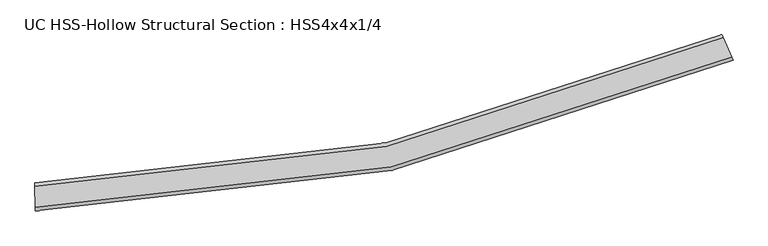
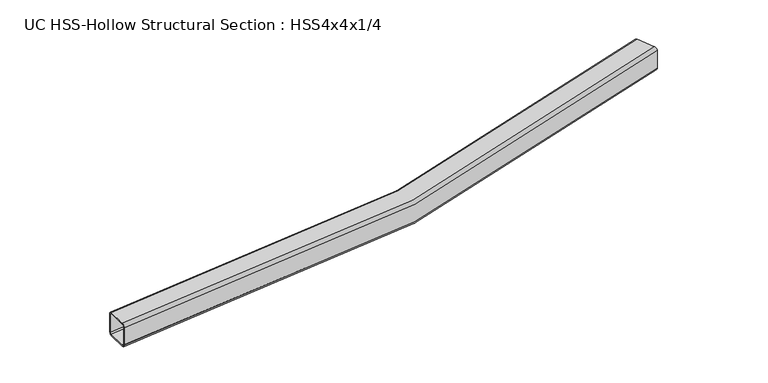
"""IFC4 building model written with IfcOpenShell, lengths in millimetres: beam geometry, UC HSS-Hollow Structural Section : HSS4x4x1/4."""

from ifc_helpers import new_model, si_unit, point, frame, origin, place, context, project, spatial, polyline, circle_curve, ellipse_curve, trimmed, source, transform, mapped, element, save
from ifc_brep_helpers import plane_surface, cylinder_surface, revolved_surface, advanced_brep


def uc_hss_hollow_structural_section_hss4x4x1_4_7f47930b(model_context):
    return source(origin(), model_context, "Body", "AdvancedBrep", [
        advanced_brep(
        [(2635.9752121, 499.7964214, 38.9636), (2635.9752121, 499.7964214, -38.9636), (2631.2372108, 510.6431586, -50.8), (2600.0436738, 582.0547246, -50.8), (2595.3056725, 592.9014618, -38.9636), (2595.3056725, 592.9014618, 38.9636), (2600.0436738, 582.0547246, 50.8), (2631.2372108, 510.6431586, 50.8), (2600.0436738, 582.0547246, 44.8818), (2597.6746731, 587.4780932, 38.9636), (2597.6746731, 587.4780932, -38.9636), (2600.0436738, 582.0547246, -44.8818), (2631.2372108, 510.6431586, -44.8818), (2633.6062114, 505.21979, -38.9636), (2633.6062114, 505.21979, 38.9636), (2631.2372108, 510.6431586, 44.8818), (91.019854, -50.1709325, 38.9636), (90.8562515, -38.3356632, 50.8), (89.779143, 39.5840925, 50.8), (89.6155405, 51.4193618, 38.9636), (89.6155405, 51.4193618, -38.9636), (89.779143, 39.5840925, -50.8), (90.8562515, -38.3356632, -50.8), (91.019854, -50.1709325, -38.9636), (89.779143, 39.5840925, 44.8818), (90.8562515, -38.3356632, 44.8818), (90.9380527, -44.2532979, 38.9636), (90.9380527, -44.2532979, -38.9636), (90.8562515, -38.3356632, -44.8818), (89.779143, 39.5840925, -44.8818), (89.6973417, 45.5017272, -38.9636), (89.6973417, 45.5017272, 38.9636)],
        [
            (0, 1),
            (1, 2, circle_curve(frame((2631.2372108, 510.6431586, -38.9636), z_axis=(0.9163881926516371, 0.4002907447951626, 0.0), x_axis=(-0.4002907447951626, 0.9163881926516371, 0.0)), 11.8364)),
            (2, 3),
            (3, 4, circle_curve(frame((2600.0436738, 582.0547246, -38.9636), z_axis=(0.9163881926516371, 0.4002907447951626, 0.0), x_axis=(-0.4002907447951626, 0.9163881926516371, 0.0)), 11.8364)),
            (4, 5),
            (5, 6, circle_curve(frame((2600.0436738, 582.0547246, 38.9636), z_axis=(0.9163881926516371, 0.4002907447951626, 0.0), x_axis=(-0.4002907447951626, 0.9163881926516371, 0.0)), 11.8364)),
            (6, 7),
            (7, 0, circle_curve(frame((2631.2372108, 510.6431586, 38.9636), z_axis=(0.9163881926516371, 0.4002907447951626, 0.0), x_axis=(-0.4002907447951626, 0.9163881926516371, 0.0)), 11.8364)),
            (8, 9, circle_curve(frame((2600.0436738, 582.0547246, 38.9636), z_axis=(-0.9163881926516371, -0.4002907447951626, 0.0), x_axis=(-0.4002907447951626, 0.9163881926516371, 0.0)), 5.9182)),
            (9, 10),
            (10, 11, circle_curve(frame((2600.0436738, 582.0547246, -38.9636), z_axis=(-0.9163881926516371, -0.4002907447951626, 0.0), x_axis=(-0.4002907447951626, 0.9163881926516371, 0.0)), 5.9182)),
            (11, 12),
            (12, 13, circle_curve(frame((2631.2372108, 510.6431586, -38.9636), z_axis=(-0.9163881926516371, -0.4002907447951626, 0.0), x_axis=(-0.4002907447951626, 0.9163881926516371, 0.0)), 5.9182)),
            (13, 14),
            (14, 15, circle_curve(frame((2631.2372108, 510.6431586, 38.9636), z_axis=(-0.9163881926516371, -0.4002907447951626, 0.0), x_axis=(-0.4002907447951626, 0.9163881926516371, 0.0)), 5.9182)),
            (15, 8),
            (16, 17, circle_curve(frame((90.8562515, -38.3356632, 38.9636), z_axis=(-0.9999044718271743, -0.013821983215865412, 0.0), x_axis=(-0.013821983215865412, 0.9999044718271743, 0.0)), 11.8364)),
            (17, 18),
            (18, 19, circle_curve(frame((89.779143, 39.5840925, 38.9636), z_axis=(-0.9999044718271743, -0.013821983215865412, 0.0), x_axis=(-0.013821983215865412, 0.9999044718271743, 0.0)), 11.8364)),
            (19, 20),
            (20, 21, circle_curve(frame((89.779143, 39.5840925, -38.9636), z_axis=(-0.9999044718271743, -0.013821983215865412, 0.0), x_axis=(-0.013821983215865412, 0.9999044718271743, 0.0)), 11.8364)),
            (21, 22),
            (22, 23, circle_curve(frame((90.8562515, -38.3356632, -38.9636), z_axis=(-0.9999044718271743, -0.013821983215865412, 0.0), x_axis=(-0.013821983215865412, 0.9999044718271743, 0.0)), 11.8364)),
            (23, 16),
            (24, 25),
            (25, 26, circle_curve(frame((90.8562515, -38.3356632, 38.9636), z_axis=(0.9999044718271743, 0.013821983215865412, 0.0), x_axis=(-0.013821983215865412, 0.9999044718271743, 0.0)), 5.9182)),
            (26, 27),
            (27, 28, circle_curve(frame((90.8562515, -38.3356632, -38.9636), z_axis=(0.9999044718271743, 0.013821983215865412, 0.0), x_axis=(-0.013821983215865412, 0.9999044718271743, 0.0)), 5.9182)),
            (28, 29),
            (29, 30, circle_curve(frame((89.779143, 39.5840925, -38.9636), z_axis=(0.9999044718271743, 0.013821983215865412, 0.0), x_axis=(-0.013821983215865412, 0.9999044718271743, 0.0)), 5.9182)),
            (30, 31),
            (31, 24, circle_curve(frame((89.779143, 39.5840925, 38.9636), z_axis=(0.9999044718271743, 0.013821983215865412, 0.0), x_axis=(-0.013821983215865412, 0.9999044718271743, 0.0)), 5.9182)),
            (7, 17, circle_curve(frame((0.0, 6534.351534, 50.8), z_axis=(0.0, 0.0, -1.0), x_axis=(-0.9998764232314815, 0.01572063185178361, 0.0)), 6573.315134)),
            (16, 0, circle_curve(frame((0.0, 6534.351534, 38.9636), z_axis=(0.0, 0.0, 1.0), x_axis=(-0.9998764232314815, 0.01572063185178361, 0.0)), 6585.151534)),
            (6, 18, circle_curve(frame((0.0, 6534.351534, 50.8), z_axis=(0.0, 0.0, -1.0), x_axis=(-0.9998764232314815, 0.01572063185178361, 0.0)), 6495.387934)),
            (5, 19, circle_curve(frame((0.0, 6534.351534, 38.9636), z_axis=(0.0, 0.0, -1.0), x_axis=(-0.9998764232314815, 0.01572063185178361, 0.0)), 6483.551534)),
            (4, 20, circle_curve(frame((0.0, 6534.351534, -38.9636), z_axis=(0.0, 0.0, -1.0), x_axis=(-0.9998764232314815, 0.01572063185178361, 0.0)), 6483.551534)),
            (3, 21, circle_curve(frame((0.0, 6534.351534, -50.8), z_axis=(0.0, 0.0, -1.0), x_axis=(-0.9998764232314815, 0.01572063185178361, 0.0)), 6495.387934)),
            (2, 22, circle_curve(frame((0.0, 6534.351534, -50.8), z_axis=(0.0, 0.0, -1.0), x_axis=(-0.9998764232314815, 0.01572063185178361, 0.0)), 6573.315134)),
            (1, 23, circle_curve(frame((0.0, 6534.351534, -38.9636), z_axis=(0.0, 0.0, -1.0), x_axis=(-0.9998764232314815, 0.01572063185178361, 0.0)), 6585.151534)),
            (15, 25, circle_curve(frame((0.0, 6534.351534, 44.8818), z_axis=(0.0, 0.0, -1.0), x_axis=(-0.9998764232314815, 0.01572063185178361, 0.0)), 6573.315134)),
            (24, 8, circle_curve(frame((0.0, 6534.351534, 44.8818), z_axis=(0.0, 0.0, 1.0), x_axis=(-0.9998764232314815, 0.01572063185178361, 0.0)), 6495.387934)),
            (14, 26, circle_curve(frame((0.0, 6534.351534, 38.9636), z_axis=(0.0, 0.0, -1.0), x_axis=(-0.9998764232314815, 0.01572063185178361, 0.0)), 6579.233334)),
            (13, 27, circle_curve(frame((0.0, 6534.351534, -38.9636), z_axis=(0.0, 0.0, -1.0), x_axis=(-0.9998764232314815, 0.01572063185178361, 0.0)), 6579.233334)),
            (12, 28, circle_curve(frame((0.0, 6534.351534, -44.8818), z_axis=(0.0, 0.0, -1.0), x_axis=(-0.9998764232314815, 0.01572063185178361, 0.0)), 6573.315134)),
            (11, 29, circle_curve(frame((0.0, 6534.351534, -44.8818), z_axis=(0.0, 0.0, -1.0), x_axis=(-0.9998764232314815, 0.01572063185178361, 0.0)), 6495.387934)),
            (10, 30, circle_curve(frame((0.0, 6534.351534, -38.9636), z_axis=(0.0, 0.0, -1.0), x_axis=(-0.9998764232314815, 0.01572063185178361, 0.0)), 6489.469734)),
            (9, 31, circle_curve(frame((0.0, 6534.351534, 38.9636), z_axis=(0.0, 0.0, -1.0), x_axis=(-0.9998764232314815, 0.01572063185178361, 0.0)), 6489.469734)),
        ],
        [
            plane_surface(frame((2615.6404423, 546.3489416, 0.0), z_axis=(0.9163881926516344, 0.400290744795169, 0.0), x_axis=(0.0, 0.0, 1.0))),
            plane_surface(frame((90.3176972, 0.6242147, 0.0), z_axis=(-0.9999044718271742, -0.013821983215872368, 0.0), x_axis=(0.0, 0.0, 1.0))),
            revolved_surface(trimmed(ellipse_curve(frame((-6572.5028249, 6637.6882012, 38.9636), z_axis=(-0.015720631851790567, -0.9998764232314814, 0.0), x_axis=(0.9998764232314814, -0.015720631851790567, 0.0)), 11.8364, 11.8364), [point((-6572.5028249, 6637.6882012, 50.8))], [point((-6584.3377622, 6637.8742769, 38.9636))], True, "CARTESIAN"), (0.0, 6534.351534, 0.0), (0.0, 0.0, -1.0)),
            plane_surface(frame((0.0, 6534.351534, 50.8), z_axis=(0.0, 0.0, 1.0), x_axis=(-0.9998764232314815, 0.01572063185178361, 0.0))),
            revolved_surface(trimmed(ellipse_curve(frame((-6494.5852549, 6636.4631364, 38.9636), z_axis=(-0.015720631851790567, -0.9998764232314814, 0.0), x_axis=(0.9998764232314814, -0.015720631851790567, 0.0)), 11.8364, 11.8364), [point((-6482.7503176, 6636.2770607, 38.9636))], [point((-6494.5852549, 6636.4631364, 50.8))], True, "CARTESIAN"), (0.0, 6534.351534, 0.0), (0.0, 0.0, -1.0)),
            revolved_surface(polyline([(-6482.750317652905, 6636.2770607580815, -38.9636), (-6482.750317652905, 6636.2770607580815, 38.9636)]), (0.0, 6534.351534, 0.0), (0.0, 0.0, -1.0)),
            revolved_surface(trimmed(ellipse_curve(frame((-6494.5852549, 6636.4631364, -38.9636), z_axis=(-0.015720631851790567, -0.9998764232314814, 0.0), x_axis=(0.9998764232314814, -0.015720631851790567, 0.0)), 11.8364, 11.8364), [point((-6494.5852549, 6636.4631364, -50.8))], [point((-6482.7503176, 6636.2770607, -38.9636))], True, "CARTESIAN"), (0.0, 6534.351534, 0.0), (0.0, 0.0, -1.0)),
            plane_surface(frame((0.0, 6534.351534, -50.8), z_axis=(0.0, 0.0, -1.0), x_axis=(-0.9998764232314815, 0.01572063185178361, 0.0))),
            revolved_surface(trimmed(ellipse_curve(frame((-6572.5028249, 6637.6882012, -38.9636), z_axis=(-0.015720631851790567, -0.9998764232314814, 0.0), x_axis=(0.9998764232314814, -0.015720631851790567, 0.0)), 11.8364, 11.8364), [point((-6584.3377622, 6637.8742769, -38.9636))], [point((-6572.5028249, 6637.6882012, -50.8))], True, "CARTESIAN"), (0.0, 6534.351534, 0.0), (0.0, 0.0, -1.0)),
            cylinder_surface(frame((0.0, 6534.351534, 0.0), z_axis=(0.0, 0.0, -1.0), x_axis=(-0.9998764232314815, 0.01572063185178361, 0.0)), 6585.151534),
            plane_surface(frame((0.0, 6534.351534, 44.8818), z_axis=(0.0, 0.0, -1.0), x_axis=(-0.9998764232314815, 0.01572063185178361, 0.0))),
            revolved_surface(trimmed(ellipse_curve(frame((-6572.5028249, 6637.6882012, 38.9636), z_axis=(0.015720631851790567, 0.9998764232314814, 0.0), x_axis=(0.9998764232314814, -0.015720631851790567, 0.0)), 5.9182, 5.9182), [point((-6578.4202936, 6637.7812391, 38.9636))], [point((-6572.5028249, 6637.6882012, 44.8818))], True, "CARTESIAN"), (0.0, 6534.351534, 0.0), (0.0, 0.0, -1.0)),
            revolved_surface(polyline([(-6578.420293605254, 6637.781239110797, -38.9636), (-6578.420293605254, 6637.781239110797, 38.9636)]), (0.0, 6534.351534, 0.0), (0.0, 0.0, -1.0)),
            revolved_surface(trimmed(ellipse_curve(frame((-6572.5028249, 6637.6882012, -38.9636), z_axis=(0.015720631851790567, 0.9998764232314814, 0.0), x_axis=(0.9998764232314814, -0.015720631851790567, 0.0)), 5.9182, 5.9182), [point((-6572.5028249, 6637.6882012, -44.8818))], [point((-6578.4202936, 6637.7812391, -38.9636))], True, "CARTESIAN"), (0.0, 6534.351534, 0.0), (0.0, 0.0, -1.0)),
            plane_surface(frame((0.0, 6534.351534, -44.8818), z_axis=(0.0, 0.0, 1.0), x_axis=(-0.9998764232314815, 0.01572063185178361, 0.0))),
            revolved_surface(trimmed(ellipse_curve(frame((-6494.5852549, 6636.4631364, -38.9636), z_axis=(0.015720631851790567, 0.9998764232314814, 0.0), x_axis=(0.9998764232314814, -0.015720631851790567, 0.0)), 5.9182, 5.9182), [point((-6488.6677863, 6636.3700986, -38.9636))], [point((-6494.5852549, 6636.4631364, -44.8818))], True, "CARTESIAN"), (0.0, 6534.351534, 0.0), (0.0, 0.0, -1.0)),
            cylinder_surface(frame((0.0, 6534.351534, 0.0), z_axis=(0.0, 0.0, -1.0), x_axis=(-0.9998764232314815, 0.01572063185178361, 0.0)), 6489.469734),
            revolved_surface(trimmed(ellipse_curve(frame((-6494.5852549, 6636.4631364, 38.9636), z_axis=(0.015720631851790567, 0.9998764232314814, 0.0), x_axis=(0.9998764232314814, -0.015720631851790567, 0.0)), 5.9182, 5.9182), [point((-6494.5852549, 6636.4631364, 44.8818))], [point((-6488.6677863, 6636.3700986, 38.9636))], True, "CARTESIAN"), (0.0, 6534.351534, 0.0), (0.0, 0.0, -1.0)),
        ],
        [
            (0, [[1, 2, 3, 4, 5, 6, 7, 8], [9, 10, 11, 12, 13, 14, 15, 16]]),
            (1, [[17, 18, 19, 20, 21, 22, 23, 24], [25, 26, 27, 28, 29, 30, 31, 32]]),
            (2, [[33, -17, 34, -8]]),
            (3, [[35, -18, -33, -7]]),
            (4, [[36, -19, -35, -6]]),
            (5, [[37, -20, -36, -5]]),
            (6, [[38, -21, -37, -4]]),
            (7, [[39, -22, -38, -3]]),
            (8, [[40, -23, -39, -2]]),
            (9, [[-34, -24, -40, -1]]),
            (10, [[41, -25, 42, -16]]),
            (11, [[43, -26, -41, -15]]),
            (12, [[44, -27, -43, -14]]),
            (13, [[45, -28, -44, -13]]),
            (14, [[46, -29, -45, -12]]),
            (15, [[47, -30, -46, -11]]),
            (16, [[48, -31, -47, -10]]),
            (17, [[-42, -32, -48, -9]]),
        ],
    ),
    ])


if __name__ == "__main__":
    model = new_model("IFC4")
    model_context = context("Model", 3, world=origin())
    ifc_project = project(units=[si_unit("LENGTHUNIT", "METRE", prefix="MILLI")], contexts=[model_context])
    site = spatial("IfcSite", under=ifc_project)
    building = spatial("IfcBuilding", under=site)
    placement = place(None, origin())
    uc_hss_hollow_structural_section_hss4x4x1_4_shape = uc_hss_hollow_structural_section_hss4x4x1_4_7f47930b(model_context)
    element("IfcBeam", 1, ObjectType="UC HSS-Hollow Structural Section : HSS4x4x1/4", at=placement, inside=building, context=model_context, shape_type="MappedRepresentation", body=[
        mapped(uc_hss_hollow_structural_section_hss4x4x1_4_shape, transform((0.0, 0.0, 0.0), x_axis=(1.0, 0.0, 0.0), y_axis=(0.0, 1.0, 0.0), z_axis=(0.0, 0.0, 1.0))),
    ])
    save(model, "model.ifc")
